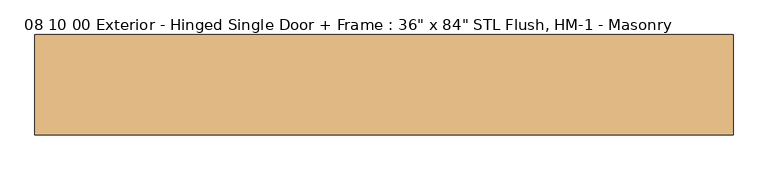
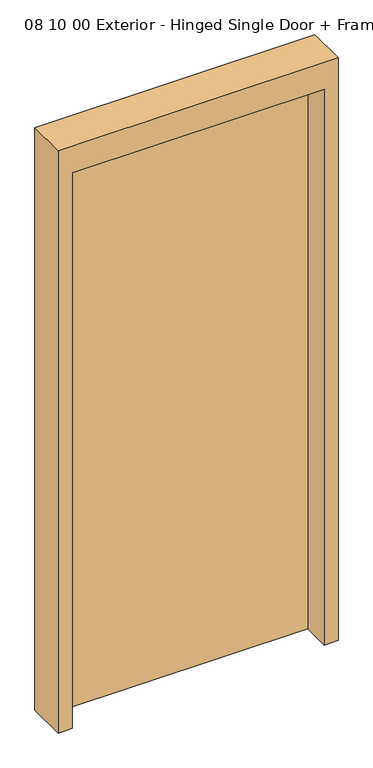
"""IFC4 building model written with IfcOpenShell, lengths in millimetres: door geometry."""

from ifc_helpers import new_model, si_unit, frame, origin, origin_with_axes, place, context, project, spatial, polyline, outline, extrude, source, transform, mapped, element, save


def door_98cebbf1(model_context):
    return source(origin(), model_context, "Body", "SweptSolid", [
        extrude(outline(polyline([(457.2, 146.05), (-457.2, 146.05), (-457.2, 190.5), (457.2, 190.5), (457.2, 146.05)])), origin_with_axes(), (0.0, 0.0, 1.0), 2133.6),
        extrude(outline(polyline([(0.0, -508.0), (0.0, -457.2), (2133.6, -457.2), (2133.6, 457.2), (0.0, 457.2), (0.0, 508.0), (2235.2, 508.0), (2235.2, -508.0), (0.0, -508.0)])), frame((0.0, 44.45, 0.0), z_axis=(0.0, 1.0, 0.0), x_axis=(0.0, 0.0, 1.0)), (0.0, 0.0, 1.0), 146.05),
    ])


if __name__ == "__main__":
    model = new_model("IFC4")
    model_context = context("Model", 3, world=origin())
    ifc_project = project(units=[si_unit("LENGTHUNIT", "METRE", prefix="MILLI")], contexts=[model_context])
    site = spatial("IfcSite", under=ifc_project)
    building = spatial("IfcBuilding", under=site)
    placement = place(None, origin())
    door_shape = door_98cebbf1(model_context)
    element("IfcDoor", 1, ObjectType="08 10 00 Exterior - Hinged Single Door + Frame : 36\" x 84\" STL Flush, HM-1 - Masonry", at=placement, inside=building, context=model_context, shape_type="MappedRepresentation", body=[
        mapped(door_shape, transform((0.0, 0.0, 0.0), x_axis=(1.0, 0.0, 0.0), y_axis=(0.0, 1.0, 0.0), z_axis=(0.0, 0.0, 1.0))),
    ])
    save(model, "model.ifc")
